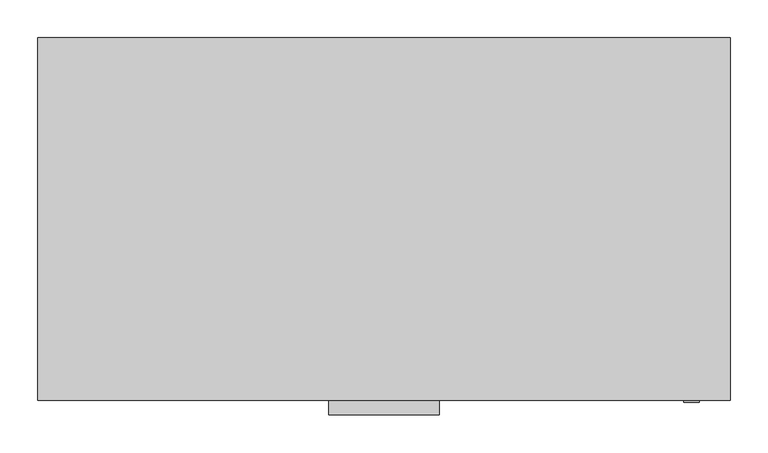
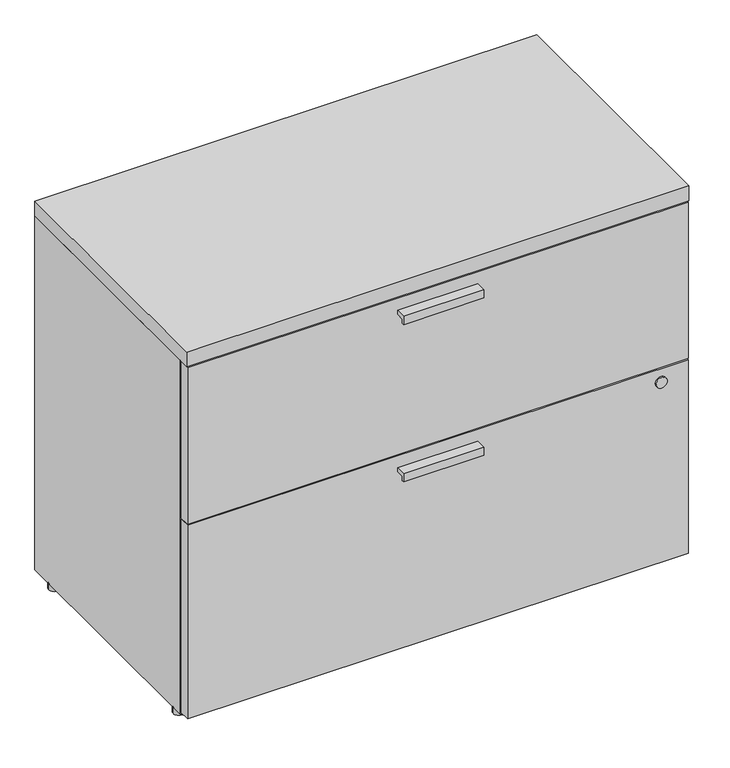
"""IFC4 building model written with IfcOpenShell, lengths in millimetres: furniture geometry."""

from ifc_helpers import new_model, si_unit, point, frame, frame_2d, origin, origin_with_axes, place, context, project, spatial, polyline, circle_curve, trimmed, segment, composite_curve, outline, extrude, source, transform, mapped, element, save


def furniture_c970bcd4(model_context):
    return source(origin(), model_context, "Body", "SweptSolid", [
        extrude(outline(polyline([(-498.5971736, 365.125), (-479.425, 365.125), (-479.425, 357.1748), (-494.157, 357.1748), (-494.157, 349.2246), (-498.5971736, 349.2246), (-498.5971736, 365.125)])), frame((384.175, 0.0, 0.0), z_axis=(1.0, 0.0, 0.0), x_axis=(0.0, 1.0, 0.0)), (0.0, 0.0, 1.0), 146.05),
        extrude(outline(polyline([(-498.5971736, 668.3502), (-479.425, 668.3502), (-479.425, 660.4), (-494.157, 660.4), (-494.157, 652.4498), (-498.5971736, 652.4498), (-498.5971736, 668.3502)])), frame((384.175, 0.0, 0.0), z_axis=(1.0, 0.0, 0.0), x_axis=(0.0, 1.0, 0.0)), (0.0, 0.0, 1.0), 146.05),
        extrude(outline(composite_curve([segment(trimmed(circle_curve(frame_2d((362.585, 863.6)), 10.16), [point((362.585, 853.44))], [point((362.585, 873.76))], False, "CARTESIAN"), True, "CONTINUOUS"), segment(trimmed(circle_curve(frame_2d((362.585, 863.6)), 10.16), [point((362.585, 873.76))], [point((362.585, 853.44))], False, "CARTESIAN"), True, "CONTINUOUS")], self_intersect=False)), frame((0.0, -481.965, 0.0), z_axis=(0.0, 1.0, 0.0), x_axis=(0.0, 0.0, 1.0)), (0.0, 0.0, 1.0), 2.54),
        extrude(outline(composite_curve([segment(trimmed(circle_curve(frame_2d((10.16, -43.18)), 10.16), [point((0.0, -43.18))], [point((20.32, -43.18))], False, "CARTESIAN"), True, "CONTINUOUS"), segment(trimmed(circle_curve(frame_2d((10.16, -43.18)), 10.16), [point((20.32, -43.18))], [point((0.0, -43.18))], False, "CARTESIAN"), True, "CONTINUOUS")], self_intersect=False)), origin_with_axes(), (0.0, 0.0, 1.0), 12.7),
        extrude(outline(composite_curve([segment(trimmed(circle_curve(frame_2d((904.24, -43.18)), 10.16), [point((894.08, -43.18))], [point((914.4, -43.18))], False, "CARTESIAN"), True, "CONTINUOUS"), segment(trimmed(circle_curve(frame_2d((904.24, -43.18)), 10.16), [point((914.4, -43.18))], [point((894.08, -43.18))], False, "CARTESIAN"), True, "CONTINUOUS")], self_intersect=False)), origin_with_axes(), (0.0, 0.0, 1.0), 12.7),
        extrude(outline(composite_curve([segment(trimmed(circle_curve(frame_2d((10.16, -436.245)), 10.16), [point((0.0, -436.245))], [point((20.32, -436.245))], False, "CARTESIAN"), True, "CONTINUOUS"), segment(trimmed(circle_curve(frame_2d((10.16, -436.245)), 10.16), [point((20.32, -436.245))], [point((0.0, -436.245))], False, "CARTESIAN"), True, "CONTINUOUS")], self_intersect=False)), origin_with_axes(), (0.0, 0.0, 1.0), 12.7),
        extrude(outline(composite_curve([segment(trimmed(circle_curve(frame_2d((904.24, -436.245)), 10.16), [point((894.08, -436.245))], [point((914.4, -436.245))], False, "CARTESIAN"), True, "CONTINUOUS"), segment(trimmed(circle_curve(frame_2d((904.24, -436.245)), 10.16), [point((914.4, -436.245))], [point((894.08, -436.245))], False, "CARTESIAN"), True, "CONTINUOUS")], self_intersect=False)), origin_with_axes(), (0.0, 0.0, 1.0), 12.7),
        extrude(outline(polyline([(914.4, 0.0), (914.4, -479.425), (0.0, -479.425), (0.0, 0.0), (914.4, 0.0)])), frame((0.0, 0.0, 693.7502), z_axis=(0.0, 0.0, 1.0), x_axis=(1.0, 0.0, 0.0)), (0.0, 0.0, 1.0), 28.575),
        extrude(outline(polyline([(913.13, -460.375), (913.13, -479.425), (1.27, -479.425), (1.27, -460.375), (913.13, -460.375)])), frame((0.0, 0.0, 390.525), z_axis=(0.0, 0.0, 1.0), x_axis=(1.0, 0.0, 0.0)), (0.0, 0.0, 1.0), 300.6852),
        extrude(outline(polyline([(913.13, -460.375), (913.13, -479.425), (1.27, -479.425), (1.27, -460.375), (913.13, -460.375)])), frame((0.0, 0.0, 15.24), z_axis=(0.0, 0.0, 1.0), x_axis=(1.0, 0.0, 0.0)), (0.0, 0.0, 1.0), 372.745),
        extrude(outline(polyline([(894.08, -20.32), (894.08, -459.105), (20.32, -459.105), (20.32, -20.32), (894.08, -20.32)])), frame((0.0, 0.0, 370.205), z_axis=(0.0, 0.0, 1.0), x_axis=(1.0, 0.0, 0.0)), (0.0, 0.0, 1.0), 20.32),
        extrude(outline(polyline([(0.0, 12.7), (-459.105, 12.7), (-459.105, 105.41), (-20.32, 105.41), (-20.32, 693.7502), (0.0, 693.7502), (0.0, 12.7)])), frame((20.32, 0.0, 0.0), z_axis=(1.0, 0.0, 0.0), x_axis=(0.0, 1.0, 0.0)), (0.0, 0.0, 1.0), 873.76),
        extrude(outline(polyline([(20.32, 0.0), (20.32, -459.105), (0.0, -459.105), (0.0, 0.0), (20.32, 0.0)])), frame((0.0, 0.0, 12.7), z_axis=(0.0, 0.0, 1.0), x_axis=(1.0, 0.0, 0.0)), (0.0, 0.0, 1.0), 681.0502),
        extrude(outline(polyline([(894.08, 0.0), (914.4, 0.0), (914.4, -459.105), (894.08, -459.105), (894.08, 0.0)])), frame((0.0, 0.0, 12.7), z_axis=(0.0, 0.0, 1.0), x_axis=(1.0, 0.0, 0.0)), (0.0, 0.0, 1.0), 681.0502),
    ])


if __name__ == "__main__":
    model = new_model("IFC4")
    model_context = context("Model", 3, world=origin())
    ifc_project = project(units=[si_unit("LENGTHUNIT", "METRE", prefix="MILLI")], contexts=[model_context])
    site = spatial("IfcSite", under=ifc_project)
    building = spatial("IfcBuilding", under=site)
    placement = place(None, origin())
    furniture_shape = furniture_c970bcd4(model_context)
    element("IfcFurniture", 1, at=placement, inside=building, context=model_context, shape_type="MappedRepresentation", body=[
        mapped(furniture_shape, transform((0.0, 0.0, 0.0), x_axis=(1.0, 0.0, 0.0), y_axis=(0.0, 1.0, 0.0), z_axis=(0.0, 0.0, 1.0))),
    ])
    save(model, "model.ifc")
